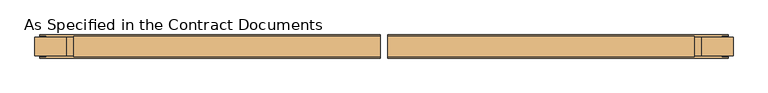
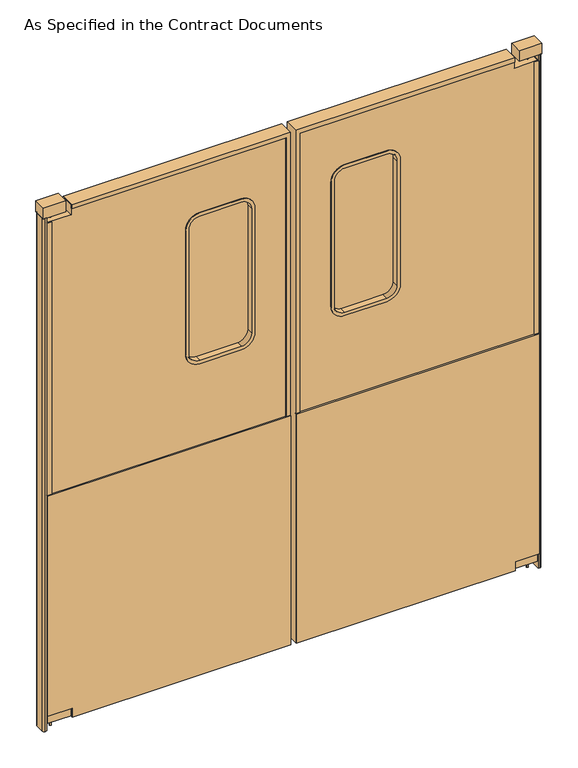
"""IFC4 building model written with IfcOpenShell, lengths in millimetres: door geometry, As Specified in the Contract Documents."""

from ifc_helpers import new_model, si_unit, point, frame, frame_2d, origin, origin_with_axes, place, context, project, spatial, polyline, circle_curve, trimmed, segment, composite_curve, outline, extrude, faceted_brep, source, transform, mapped, element, save
from ifc_brep_helpers import plane_surface, cylinder_surface, revolved_surface, advanced_brep


def as_specified_in_the_contract_documents_241d0e8a(model_context):
    return source(origin(), model_context, "Body", "SolidModel", [
        extrude(outline(composite_curve([segment(trimmed(circle_curve(frame_2d((-853.4912977, -17.4625)), 3.175), [point((-856.6662977, -17.4625))], [point((-850.3162977, -17.4625))], False, "CARTESIAN"), True, "CONTINUOUS"), segment(trimmed(circle_curve(frame_2d((-853.4912977, -17.4625)), 3.175), [point((-850.3162977, -17.4625))], [point((-856.6662977, -17.4625))], False, "CARTESIAN"), True, "CONTINUOUS")], self_intersect=False)), frame((0.0, 0.0, 1971.675), z_axis=(0.0, 0.0, 1.0), x_axis=(1.0, 0.0, 0.0)), (0.0, 0.0, 1.0), 19.05),
        extrude(outline(composite_curve([segment(trimmed(circle_curve(frame_2d((-853.4912977, -17.4625)), 3.175), [point((-850.3162977, -17.4625))], [point((-856.6662977, -17.4625))], False, "CARTESIAN"), True, "CONTINUOUS"), segment(trimmed(circle_curve(frame_2d((-853.4912977, -17.4625)), 3.175), [point((-856.6662977, -17.4625))], [point((-850.3162977, -17.4625))], False, "CARTESIAN"), True, "CONTINUOUS")], self_intersect=False)), origin_with_axes(), (0.0, 0.0, 1.0), 28.575),
        extrude(outline(composite_curve([segment(polyline([(1285.875, -130.175), (1762.125, -130.175)]), True, "CONTINUOUS"), segment(trimmed(circle_curve(frame_2d((1762.125, -171.45)), 41.275), [point((1762.125, -130.175))], [point((1803.4, -171.45))], False, "CARTESIAN"), True, "CONTINUOUS"), segment(polyline([(1803.4, -171.45), (1803.4, -317.5)]), True, "CONTINUOUS"), segment(trimmed(circle_curve(frame_2d((1762.125, -317.5)), 41.275), [point((1803.4, -317.5))], [point((1762.125, -358.775))], False, "CARTESIAN"), True, "CONTINUOUS"), segment(polyline([(1762.125, -358.775), (1285.875, -358.775)]), True, "CONTINUOUS"), segment(trimmed(circle_curve(frame_2d((1285.875, -317.5)), 41.275), [point((1285.875, -358.775))], [point((1244.6, -317.5))], False, "CARTESIAN"), True, "CONTINUOUS"), segment(polyline([(1244.6, -317.5), (1244.6, -171.45)]), True, "CONTINUOUS"), segment(trimmed(circle_curve(frame_2d((1285.875, -171.45)), 41.275), [point((1244.6, -171.45))], [point((1285.875, -130.175))], False, "CARTESIAN"), True, "CONTINUOUS")], self_intersect=False)), frame((0.0, -20.6375, 0.0), z_axis=(0.0, 1.0, 0.0), x_axis=(0.0, 0.0, 1.0)), (0.0, 0.0, 1.0), 6.35),
        faceted_brep([(-790.575, -41.275, 28.575), (-790.575, 6.35, 28.575), (-790.575, 6.35, 41.275), (-790.575, 9.525, 41.275), (-790.575, 9.525, 25.4), (-790.575, -44.45, 25.4), (-790.575, -44.45, 41.275), (-790.575, -41.275, 41.275), (-3.175, -41.275, 41.275), (-3.175, -41.275, 1997.075), (-790.575, -41.275, 1997.075), (-790.575, -41.275, 2009.775), (9.525, -41.275, 2009.775), (9.525, -41.275, 28.575), (-3.175, -44.45, 41.275), (12.7, -44.45, 25.4), (12.7, -44.45, 2012.95), (-790.575, -44.45, 2012.95), (-790.575, -44.45, 1997.075), (-3.175, -44.45, 1997.075), (12.7, 9.525, 25.4), (-3.175, 9.525, 41.275), (-3.175, 9.525, 1997.075), (-790.575, 9.525, 1997.075), (-790.575, 9.525, 2012.95), (12.7, 9.525, 2012.95), (-3.175, 6.35, 41.275), (9.525, 6.35, 28.575), (9.525, 6.35, 2009.775), (-790.575, 6.35, 2009.775), (-790.575, 6.35, 1997.075), (-3.175, 6.35, 1997.075)], [[[0, 1, 2, 3, 4, 5, 6, 7]], [[7, 8, 9, 10, 11, 12, 13, 0]], [[6, 14, 8, 7]], [[5, 15, 16, 17, 18, 19, 14, 6]], [[4, 20, 15, 5]], [[3, 21, 22, 23, 24, 25, 20, 4]], [[2, 26, 21, 3]], [[1, 27, 28, 29, 30, 31, 26, 2]], [[0, 13, 27, 1]], [[8, 14, 19, 9]], [[15, 20, 25, 16]], [[21, 26, 31, 22]], [[12, 28, 27, 13]], [[10, 18, 17, 24, 23, 30, 29, 11]], [[9, 19, 18, 10]], [[16, 25, 24, 17]], [[22, 31, 30, 23]], [[11, 29, 28, 12]]]),
        extrude(outline(polyline([(2009.775, -790.575), (1971.675, -790.575), (1971.675, -876.3), (60.325, -876.3), (60.325, -790.575), (28.575, -790.575), (28.575, 9.525), (2009.775, 9.525), (2009.775, -790.575)]), holes=[composite_curve([segment(trimmed(circle_curve(frame_2d((1285.875, -171.45)), 44.45), [point((1285.875, -127.0))], [point((1241.425, -171.45))], True, "CARTESIAN"), True, "CONTINUOUS"), segment(polyline([(1241.425, -171.45), (1241.425, -317.5)]), True, "CONTINUOUS"), segment(trimmed(circle_curve(frame_2d((1285.875, -317.5)), 44.45), [point((1241.425, -317.5))], [point((1285.875, -361.95))], True, "CARTESIAN"), True, "CONTINUOUS"), segment(polyline([(1285.875, -361.95), (1762.125, -361.95)]), True, "CONTINUOUS"), segment(trimmed(circle_curve(frame_2d((1762.125, -317.5)), 44.45), [point((1762.125, -361.95))], [point((1806.575, -317.5))], True, "CARTESIAN"), True, "CONTINUOUS"), segment(polyline([(1806.575, -317.5), (1806.575, -171.45)]), True, "CONTINUOUS"), segment(trimmed(circle_curve(frame_2d((1762.125, -171.45)), 44.45), [point((1806.575, -171.45))], [point((1762.125, -127.0))], True, "CARTESIAN"), True, "CONTINUOUS"), segment(polyline([(1762.125, -127.0), (1285.875, -127.0)]), True, "CONTINUOUS")], self_intersect=False)]), frame((0.0, -41.275, 0.0), z_axis=(0.0, 1.0, 0.0), x_axis=(0.0, 0.0, 1.0)), (0.0, 0.0, 1.0), 47.625),
        extrude(outline(polyline([(25.4, -790.575), (25.4, 12.7), (914.4, 12.7), (914.4, -879.475), (60.325, -879.475), (60.325, -790.575), (25.4, -790.575)])), frame((0.0, 6.35, 0.0), z_axis=(0.0, 1.0, 0.0), x_axis=(0.0, 0.0, 1.0)), (0.0, 0.0, 1.0), 6.35),
        extrude(outline(polyline([(25.4, -790.575), (25.4, 12.7), (914.4, 12.7), (914.4, -879.475), (60.325, -879.475), (60.325, -790.575), (25.4, -790.575)])), frame((0.0, -47.625, 0.0), z_axis=(0.0, 1.0, 0.0), x_axis=(0.0, 0.0, 1.0)), (0.0, 0.0, 1.0), 6.35),
        advanced_brep(
        [(-361.95, 6.35, 1765.3), (-361.95, -41.275, 1765.3), (-320.675, -41.275, 1806.575), (-320.675, 6.35, 1806.575), (-371.475, 9.525, 1765.3), (-371.475, 6.35, 1765.3), (-320.675, 6.35, 1816.1), (-320.675, 9.525, 1816.1), (-358.775, -44.45, 1765.3), (-358.775, 9.525, 1765.3), (-320.675, 9.525, 1803.4), (-320.675, -44.45, 1803.4), (-371.475, -41.275, 1765.3), (-371.475, -44.45, 1765.3), (-320.675, -44.45, 1816.1), (-320.675, -41.275, 1816.1), (-361.95, 6.35, 1282.7), (-361.95, -41.275, 1282.7), (-371.475, 9.525, 1282.7), (-371.475, 6.35, 1282.7), (-358.775, -44.45, 1282.7), (-358.775, 9.525, 1282.7), (-371.475, -41.275, 1282.7), (-371.475, -44.45, 1282.7), (-320.675, 6.35, 1241.425), (-320.675, -41.275, 1241.425), (-320.675, 9.525, 1231.9), (-320.675, 6.35, 1231.9), (-320.675, -44.45, 1244.6), (-320.675, 9.525, 1244.6), (-320.675, -41.275, 1231.9), (-320.675, -44.45, 1231.9), (-168.275, 6.35, 1241.425), (-168.275, -41.275, 1241.425), (-168.275, 9.525, 1231.9), (-168.275, 6.35, 1231.9), (-168.275, -44.45, 1244.6), (-168.275, 9.525, 1244.6), (-168.275, -41.275, 1231.9), (-168.275, -44.45, 1231.9), (-127.0, 6.35, 1282.7), (-127.0, -41.275, 1282.7), (-117.475, 9.525, 1282.7), (-117.475, 6.35, 1282.7), (-130.175, -44.45, 1282.7), (-130.175, 9.525, 1282.7), (-117.475, -41.275, 1282.7), (-117.475, -44.45, 1282.7), (-127.0, 6.35, 1765.3), (-127.0, -41.275, 1765.3), (-117.475, 9.525, 1765.3), (-117.475, 6.35, 1765.3), (-130.175, -44.45, 1765.3), (-130.175, 9.525, 1765.3), (-117.475, -41.275, 1765.3), (-117.475, -44.45, 1765.3), (-168.275, 6.35, 1806.575), (-168.275, -41.275, 1806.575), (-168.275, 9.525, 1816.1), (-168.275, 6.35, 1816.1), (-168.275, -44.45, 1803.4), (-168.275, 9.525, 1803.4), (-168.275, -41.275, 1816.1), (-168.275, -44.45, 1816.1)],
        [
            (0, 1),
            (1, 2, circle_curve(frame((-320.675, -41.275, 1765.3), z_axis=(0.0, 1.0, 0.0), x_axis=(0.0, 0.0, 1.0)), 41.275)),
            (2, 3),
            (3, 0, circle_curve(frame((-320.675, 6.35, 1765.3), z_axis=(0.0, -1.0, 0.0), x_axis=(0.0, 0.0, 1.0)), 41.275)),
            (4, 5),
            (5, 6, circle_curve(frame((-320.675, 6.35, 1765.3), z_axis=(0.0, 1.0, 0.0), x_axis=(0.0, 0.0, 1.0)), 50.8)),
            (6, 7),
            (7, 4, circle_curve(frame((-320.675, 9.525, 1765.3), z_axis=(0.0, -1.0, 0.0), x_axis=(0.0, 0.0, 1.0)), 50.8)),
            (8, 9),
            (9, 10, circle_curve(frame((-320.675, 9.525, 1765.3), z_axis=(0.0, 1.0, 0.0), x_axis=(0.0, 0.0, 1.0)), 38.1)),
            (10, 11),
            (11, 8, circle_curve(frame((-320.675, -44.45, 1765.3), z_axis=(0.0, -1.0, 0.0), x_axis=(0.0, 0.0, 1.0)), 38.1)),
            (12, 13),
            (13, 14, circle_curve(frame((-320.675, -44.45, 1765.3), z_axis=(0.0, 1.0, 0.0), x_axis=(0.0, 0.0, 1.0)), 50.8)),
            (14, 15),
            (15, 12, circle_curve(frame((-320.675, -41.275, 1765.3), z_axis=(0.0, -1.0, 0.0), x_axis=(0.0, 0.0, 1.0)), 50.8)),
            (0, 16),
            (16, 17),
            (17, 1),
            (4, 18),
            (18, 19),
            (19, 5),
            (8, 20),
            (20, 21),
            (21, 9),
            (12, 22),
            (22, 23),
            (23, 13),
            (24, 25),
            (25, 17, circle_curve(frame((-320.675, -41.275, 1282.7), z_axis=(0.0, 1.0, 0.0), x_axis=(-1.0, 0.0, 0.0)), 41.275)),
            (16, 24, circle_curve(frame((-320.675, 6.35, 1282.7), z_axis=(0.0, -1.0, 0.0), x_axis=(-1.0, 0.0, 0.0)), 41.275)),
            (26, 27),
            (27, 19, circle_curve(frame((-320.675, 6.35, 1282.7), z_axis=(0.0, 1.0, 0.0), x_axis=(-1.0, 0.0, 0.0)), 50.8)),
            (18, 26, circle_curve(frame((-320.675, 9.525, 1282.7), z_axis=(0.0, -1.0, 0.0), x_axis=(-1.0, 0.0, 0.0)), 50.8)),
            (28, 29),
            (29, 21, circle_curve(frame((-320.675, 9.525, 1282.7), z_axis=(0.0, 1.0, 0.0), x_axis=(-1.0, 0.0, 0.0)), 38.1)),
            (20, 28, circle_curve(frame((-320.675, -44.45, 1282.7), z_axis=(0.0, -1.0, 0.0), x_axis=(-1.0, 0.0, 0.0)), 38.1)),
            (30, 31),
            (31, 23, circle_curve(frame((-320.675, -44.45, 1282.7), z_axis=(0.0, 1.0, 0.0), x_axis=(-1.0, 0.0, 0.0)), 50.8)),
            (22, 30, circle_curve(frame((-320.675, -41.275, 1282.7), z_axis=(0.0, -1.0, 0.0), x_axis=(-1.0, 0.0, 0.0)), 50.8)),
            (24, 32),
            (32, 33),
            (33, 25),
            (26, 34),
            (34, 35),
            (35, 27),
            (28, 36),
            (36, 37),
            (37, 29),
            (30, 38),
            (38, 39),
            (39, 31),
            (40, 41),
            (41, 33, circle_curve(frame((-168.275, -41.275, 1282.7), z_axis=(0.0, 1.0, 0.0), x_axis=(0.0, 0.0, -1.0)), 41.275)),
            (32, 40, circle_curve(frame((-168.275, 6.35, 1282.7), z_axis=(0.0, -1.0, 0.0), x_axis=(0.0, 0.0, -1.0)), 41.275)),
            (42, 43),
            (43, 35, circle_curve(frame((-168.275, 6.35, 1282.7), z_axis=(0.0, 1.0, 0.0), x_axis=(0.0, 0.0, -1.0)), 50.8)),
            (34, 42, circle_curve(frame((-168.275, 9.525, 1282.7), z_axis=(0.0, -1.0, 0.0), x_axis=(0.0, 0.0, -1.0)), 50.8)),
            (44, 45),
            (45, 37, circle_curve(frame((-168.275, 9.525, 1282.7), z_axis=(0.0, 1.0, 0.0), x_axis=(0.0, 0.0, -1.0)), 38.1)),
            (36, 44, circle_curve(frame((-168.275, -44.45, 1282.7), z_axis=(0.0, -1.0, 0.0), x_axis=(0.0, 0.0, -1.0)), 38.1)),
            (46, 47),
            (47, 39, circle_curve(frame((-168.275, -44.45, 1282.7), z_axis=(0.0, 1.0, 0.0), x_axis=(0.0, 0.0, -1.0)), 50.8)),
            (38, 46, circle_curve(frame((-168.275, -41.275, 1282.7), z_axis=(0.0, -1.0, 0.0), x_axis=(0.0, 0.0, -1.0)), 50.8)),
            (40, 48),
            (48, 49),
            (49, 41),
            (42, 50),
            (50, 51),
            (51, 43),
            (44, 52),
            (52, 53),
            (53, 45),
            (46, 54),
            (54, 55),
            (55, 47),
            (56, 57),
            (57, 49, circle_curve(frame((-168.275, -41.275, 1765.3), z_axis=(0.0, 1.0, 0.0), x_axis=(1.0, 0.0, 0.0)), 41.275)),
            (48, 56, circle_curve(frame((-168.275, 6.35, 1765.3), z_axis=(0.0, -1.0, 0.0), x_axis=(1.0, 0.0, 0.0)), 41.275)),
            (58, 59),
            (59, 51, circle_curve(frame((-168.275, 6.35, 1765.3), z_axis=(0.0, 1.0, 0.0), x_axis=(1.0, 0.0, 0.0)), 50.8)),
            (50, 58, circle_curve(frame((-168.275, 9.525, 1765.3), z_axis=(0.0, -1.0, 0.0), x_axis=(1.0, 0.0, 0.0)), 50.8)),
            (60, 61),
            (61, 53, circle_curve(frame((-168.275, 9.525, 1765.3), z_axis=(0.0, 1.0, 0.0), x_axis=(1.0, 0.0, 0.0)), 38.1)),
            (52, 60, circle_curve(frame((-168.275, -44.45, 1765.3), z_axis=(0.0, -1.0, 0.0), x_axis=(1.0, 0.0, 0.0)), 38.1)),
            (62, 63),
            (63, 55, circle_curve(frame((-168.275, -44.45, 1765.3), z_axis=(0.0, 1.0, 0.0), x_axis=(1.0, 0.0, 0.0)), 50.8)),
            (54, 62, circle_curve(frame((-168.275, -41.275, 1765.3), z_axis=(0.0, -1.0, 0.0), x_axis=(1.0, 0.0, 0.0)), 50.8)),
            (56, 3),
            (2, 57),
            (59, 6),
            (58, 7),
            (61, 10),
            (60, 11),
            (63, 14),
            (62, 15),
        ],
        [
            cylinder_surface(frame((-320.675, -17.4625, 1765.3), z_axis=(0.0, 1.0, 0.0), x_axis=(0.0, 0.0, 1.0)), 41.275),
            cylinder_surface(frame((-320.675, -17.4625, 1765.3), z_axis=(0.0, 1.0, 0.0), x_axis=(0.0, 0.0, 1.0)), 50.8),
            revolved_surface(polyline([(-320.675, 9.524999999999999, 1803.3999999999999), (-320.675, -44.45, 1803.3999999999999)]), (-320.675, -17.4625, 1765.3), (0.0, 1.0, 0.0)),
            plane_surface(frame((-361.95, -41.275, 1765.3), z_axis=(-1.0, 0.0, 0.0), x_axis=(0.0, 0.0, -1.0))),
            plane_surface(frame((-371.475, 6.35, 1765.3), z_axis=(-1.0, 0.0, 0.0), x_axis=(0.0, 0.0, -1.0))),
            plane_surface(frame((-358.775, 9.525, 1765.3), z_axis=(1.0, 0.0, 0.0), x_axis=(0.0, 0.0, -1.0))),
            plane_surface(frame((-371.475, -44.45, 1765.3), z_axis=(-1.0, 0.0, 0.0), x_axis=(0.0, 0.0, -1.0))),
            cylinder_surface(frame((-320.675, -17.4625, 1282.7), z_axis=(0.0, 1.0, 0.0), x_axis=(-1.0, 0.0, 0.0)), 41.275),
            cylinder_surface(frame((-320.675, -17.4625, 1282.7), z_axis=(0.0, 1.0, 0.0), x_axis=(-1.0, 0.0, 0.0)), 50.8),
            revolved_surface(polyline([(-358.77500000000003, 9.524999999999999, 1282.7), (-358.77500000000003, -44.45, 1282.7)]), (-320.675, -17.4625, 1282.7), (0.0, 1.0, 0.0)),
            plane_surface(frame((-320.675, -41.275, 1241.425), z_axis=(0.0, 0.0, -1.0), x_axis=(1.0, 0.0, 0.0))),
            plane_surface(frame((-320.675, 6.35, 1231.9), z_axis=(0.0, 0.0, -1.0), x_axis=(1.0, 0.0, 0.0))),
            plane_surface(frame((-320.675, 9.525, 1244.6), z_axis=(0.0, 0.0, 1.0), x_axis=(1.0, 0.0, 0.0))),
            plane_surface(frame((-320.675, -44.45, 1231.9), z_axis=(0.0, 0.0, -1.0), x_axis=(1.0, 0.0, 0.0))),
            cylinder_surface(frame((-168.275, -17.4625, 1282.7), z_axis=(0.0, 1.0, 0.0), x_axis=(0.0, 0.0, -1.0)), 41.275),
            cylinder_surface(frame((-168.275, -17.4625, 1282.7), z_axis=(0.0, 1.0, 0.0), x_axis=(0.0, 0.0, -1.0)), 50.8),
            revolved_surface(polyline([(-168.275, 9.524999999999999, 1244.6000000000001), (-168.275, -44.45, 1244.6000000000001)]), (-168.275, -17.4625, 1282.7), (0.0, 1.0, 0.0)),
            plane_surface(frame((-127.0, -41.275, 1282.7), z_axis=(1.0, 0.0, 0.0), x_axis=(0.0, 0.0, 1.0))),
            plane_surface(frame((-117.475, 6.35, 1282.7), z_axis=(1.0, 0.0, 0.0), x_axis=(0.0, 0.0, 1.0))),
            plane_surface(frame((-130.175, 9.525, 1282.7), z_axis=(-1.0, 0.0, 0.0), x_axis=(0.0, 0.0, 1.0))),
            plane_surface(frame((-117.475, -44.45, 1282.7), z_axis=(1.0, 0.0, 0.0), x_axis=(0.0, 0.0, 1.0))),
            cylinder_surface(frame((-168.275, -17.4625, 1765.3), z_axis=(0.0, 1.0, 0.0), x_axis=(1.0, 0.0, 0.0)), 41.275),
            cylinder_surface(frame((-168.275, -17.4625, 1765.3), z_axis=(0.0, 1.0, 0.0), x_axis=(1.0, 0.0, 0.0)), 50.8),
            revolved_surface(polyline([(-130.175, 9.524999999999999, 1765.3), (-130.175, -44.45, 1765.3)]), (-168.275, -17.4625, 1765.3), (0.0, 1.0, 0.0)),
            plane_surface(frame((-168.275, -41.275, 1806.575), z_axis=(0.0, 0.0, 1.0), x_axis=(-1.0, 0.0, 0.0))),
            plane_surface(frame((-168.275, 6.35, 1806.575), z_axis=(0.0, -1.0, 0.0), x_axis=(-1.0, 0.0, 0.0))),
            plane_surface(frame((-168.275, 6.35, 1816.1), z_axis=(0.0, 0.0, 1.0), x_axis=(-1.0, 0.0, 0.0))),
            plane_surface(frame((-168.275, 9.525, 1816.1), z_axis=(0.0, 1.0, 0.0), x_axis=(-1.0, 0.0, 0.0))),
            plane_surface(frame((-168.275, 9.525, 1803.4), z_axis=(0.0, 0.0, -1.0), x_axis=(-1.0, 0.0, 0.0))),
            plane_surface(frame((-168.275, -44.45, 1803.4), z_axis=(0.0, -1.0, 0.0), x_axis=(-1.0, 0.0, 0.0))),
            plane_surface(frame((-168.275, -44.45, 1816.1), z_axis=(0.0, 0.0, 1.0), x_axis=(-1.0, 0.0, 0.0))),
            plane_surface(frame((-168.275, -41.275, 1816.1), z_axis=(0.0, 1.0, 0.0), x_axis=(-1.0, 0.0, 0.0))),
        ],
        [
            (0, [[1, 2, 3, 4]]),
            (1, [[5, 6, 7, 8]]),
            (2, [[9, 10, 11, 12]]),
            (1, [[13, 14, 15, 16]]),
            (3, [[17, 18, 19, -1]]),
            (4, [[20, 21, 22, -5]]),
            (5, [[23, 24, 25, -9]]),
            (6, [[26, 27, 28, -13]]),
            (7, [[29, 30, -18, 31]]),
            (8, [[32, 33, -21, 34]]),
            (9, [[35, 36, -24, 37]]),
            (8, [[38, 39, -27, 40]]),
            (10, [[41, 42, 43, -29]]),
            (11, [[44, 45, 46, -32]]),
            (12, [[47, 48, 49, -35]]),
            (13, [[50, 51, 52, -38]]),
            (14, [[53, 54, -42, 55]]),
            (15, [[56, 57, -45, 58]]),
            (16, [[59, 60, -48, 61]]),
            (15, [[62, 63, -51, 64]]),
            (17, [[65, 66, 67, -53]]),
            (18, [[68, 69, 70, -56]]),
            (19, [[71, 72, 73, -59]]),
            (20, [[74, 75, 76, -62]]),
            (21, [[77, 78, -66, 79]]),
            (22, [[80, 81, -69, 82]]),
            (23, [[83, 84, -72, 85]]),
            (22, [[86, 87, -75, 88]]),
            (24, [[89, -3, 90, -77]]),
            (25, [[-6, -22, -33, -46, -57, -70, -81, 91], [-55, -41, -31, -17, -4, -89, -79, -65]]),
            (26, [[92, -7, -91, -80]]),
            (27, [[-58, -44, -34, -20, -8, -92, -82, -68], [-10, -25, -36, -49, -60, -73, -84, 93]]),
            (28, [[94, -11, -93, -83]]),
            (29, [[-14, -28, -39, -52, -63, -76, -87, 95], [-61, -47, -37, -23, -12, -94, -85, -71]]),
            (30, [[96, -15, -95, -86]]),
            (31, [[-64, -50, -40, -26, -16, -96, -88, -74], [-2, -19, -30, -43, -54, -67, -78, -90]]),
        ],
    ),
        extrude(outline(polyline([(-876.3, -41.275), (-863.6, -41.275), (-863.6, -44.45), (-879.475, -44.45), (-879.475, 9.525), (-863.6, 9.525), (-863.6, 6.35), (-876.3, 6.35), (-876.3, -41.275)])), frame((0.0, 0.0, 60.325), z_axis=(0.0, 0.0, 1.0), x_axis=(1.0, 0.0, 0.0)), (0.0, 0.0, 1.0), 1911.35),
        extrude(outline(composite_curve([segment(polyline([(-879.475, 6.35), (-879.475, -41.275), (-885.825, -41.275)]), True, "CONTINUOUS"), segment(trimmed(circle_curve(frame_2d((-885.825, -34.925)), 6.35), [point((-885.825, -41.275))], [point((-892.175, -34.925))], False, "CARTESIAN"), True, "CONTINUOUS"), segment(polyline([(-892.175, -34.925), (-892.175, 0.0)]), True, "CONTINUOUS"), segment(trimmed(circle_curve(frame_2d((-885.825, 0.0)), 6.35), [point((-892.175, 0.0))], [point((-885.825, 6.35))], False, "CARTESIAN"), True, "CONTINUOUS"), segment(polyline([(-885.825, 6.35), (-879.475, 6.35)]), True, "CONTINUOUS")], self_intersect=False)), origin_with_axes(), (0.0, 0.0, 1.0), 1990.725),
        extrude(outline(polyline([(-892.175, 6.35), (-809.625, 6.35), (-809.625, -41.275), (-892.175, -41.275), (-892.175, 6.35)])), frame((0.0, 0.0, 1990.725), z_axis=(0.0, 0.0, 1.0), x_axis=(1.0, 0.0, 0.0)), (0.0, 0.0, 1.0), 41.275),
        extrude(outline(polyline([(-876.3, 6.35), (-790.575, 6.35), (-790.575, -41.275), (-876.3, -41.275), (-876.3, 6.35)])), frame((0.0, 0.0, 28.575), z_axis=(0.0, 0.0, 1.0), x_axis=(1.0, 0.0, 0.0)), (0.0, 0.0, 1.0), 31.75),
        extrude(outline(composite_curve([segment(trimmed(circle_curve(frame_2d((897.9412977, -17.4625)), 3.175), [point((901.1162977, -17.4625))], [point((894.7662977, -17.4625))], False, "CARTESIAN"), True, "CONTINUOUS"), segment(trimmed(circle_curve(frame_2d((897.9412977, -17.4625)), 3.175), [point((894.7662977, -17.4625))], [point((901.1162977, -17.4625))], False, "CARTESIAN"), True, "CONTINUOUS")], self_intersect=False)), frame((0.0, 0.0, 1971.675), z_axis=(0.0, 0.0, 1.0), x_axis=(1.0, 0.0, 0.0)), (0.0, 0.0, 1.0), 19.05),
        extrude(outline(composite_curve([segment(trimmed(circle_curve(frame_2d((897.9412977, -17.4625)), 3.175), [point((894.7662977, -17.4625))], [point((901.1162977, -17.4625))], False, "CARTESIAN"), True, "CONTINUOUS"), segment(trimmed(circle_curve(frame_2d((897.9412977, -17.4625)), 3.175), [point((901.1162977, -17.4625))], [point((894.7662977, -17.4625))], False, "CARTESIAN"), True, "CONTINUOUS")], self_intersect=False)), origin_with_axes(), (0.0, 0.0, 1.0), 28.575),
        extrude(outline(composite_curve([segment(trimmed(circle_curve(frame_2d((1285.875, 215.9)), 41.275), [point((1285.875, 174.625))], [point((1244.6, 215.9))], False, "CARTESIAN"), True, "CONTINUOUS"), segment(polyline([(1244.6, 215.9), (1244.6, 361.95)]), True, "CONTINUOUS"), segment(trimmed(circle_curve(frame_2d((1285.875, 361.95)), 41.275), [point((1244.6, 361.95))], [point((1285.875, 403.225))], False, "CARTESIAN"), True, "CONTINUOUS"), segment(polyline([(1285.875, 403.225), (1762.125, 403.225)]), True, "CONTINUOUS"), segment(trimmed(circle_curve(frame_2d((1762.125, 361.95)), 41.275), [point((1762.125, 403.225))], [point((1803.4, 361.95))], False, "CARTESIAN"), True, "CONTINUOUS"), segment(polyline([(1803.4, 361.95), (1803.4, 215.9)]), True, "CONTINUOUS"), segment(trimmed(circle_curve(frame_2d((1762.125, 215.9)), 41.275), [point((1803.4, 215.9))], [point((1762.125, 174.625))], False, "CARTESIAN"), True, "CONTINUOUS"), segment(polyline([(1762.125, 174.625), (1285.875, 174.625)]), True, "CONTINUOUS")], self_intersect=False)), frame((0.0, -20.6375, 0.0), z_axis=(0.0, 1.0, 0.0), x_axis=(0.0, 0.0, 1.0)), (0.0, 0.0, 1.0), 6.35),
        faceted_brep([(835.025, -41.275, 28.575), (835.025, -41.275, 41.275), (835.025, -44.45, 41.275), (835.025, -44.45, 25.4), (835.025, 9.525, 25.4), (835.025, 9.525, 41.275), (835.025, 6.35, 41.275), (835.025, 6.35, 28.575), (34.925, -41.275, 28.575), (34.925, -41.275, 2009.775), (835.025, -41.275, 2009.775), (835.025, -41.275, 1997.075), (47.625, -41.275, 1997.075), (47.625, -41.275, 41.275), (47.625, -44.45, 41.275), (47.625, -44.45, 1997.075), (835.025, -44.45, 1997.075), (835.025, -44.45, 2012.95), (31.75, -44.45, 2012.95), (31.75, -44.45, 25.4), (31.75, 9.525, 25.4), (31.75, 9.525, 2012.95), (835.025, 9.525, 2012.95), (835.025, 9.525, 1997.075), (47.625, 9.525, 1997.075), (47.625, 9.525, 41.275), (47.625, 6.35, 41.275), (47.625, 6.35, 1997.075), (835.025, 6.35, 1997.075), (835.025, 6.35, 2009.775), (34.925, 6.35, 2009.775), (34.925, 6.35, 28.575)], [[[0, 1, 2, 3, 4, 5, 6, 7]], [[1, 0, 8, 9, 10, 11, 12, 13]], [[2, 1, 13, 14]], [[3, 2, 14, 15, 16, 17, 18, 19]], [[4, 3, 19, 20]], [[5, 4, 20, 21, 22, 23, 24, 25]], [[6, 5, 25, 26]], [[7, 6, 26, 27, 28, 29, 30, 31]], [[0, 7, 31, 8]], [[13, 12, 15, 14]], [[19, 18, 21, 20]], [[25, 24, 27, 26]], [[9, 8, 31, 30]], [[11, 10, 29, 28, 23, 22, 17, 16]], [[12, 11, 16, 15]], [[18, 17, 22, 21]], [[24, 23, 28, 27]], [[10, 9, 30, 29]]]),
        extrude(outline(polyline([(2009.775, 835.025), (2009.775, 34.925), (28.575, 34.925), (28.575, 835.025), (60.325, 835.025), (60.325, 920.75), (1971.675, 920.75), (1971.675, 835.025), (2009.775, 835.025)]), holes=[composite_curve([segment(polyline([(1285.875, 171.45), (1762.125, 171.45)]), True, "CONTINUOUS"), segment(trimmed(circle_curve(frame_2d((1762.125, 215.9)), 44.45), [point((1762.125, 171.45))], [point((1806.575, 215.9))], True, "CARTESIAN"), True, "CONTINUOUS"), segment(polyline([(1806.575, 215.9), (1806.575, 361.95)]), True, "CONTINUOUS"), segment(trimmed(circle_curve(frame_2d((1762.125, 361.95)), 44.45), [point((1806.575, 361.95))], [point((1762.125, 406.4))], True, "CARTESIAN"), True, "CONTINUOUS"), segment(polyline([(1762.125, 406.4), (1285.875, 406.4)]), True, "CONTINUOUS"), segment(trimmed(circle_curve(frame_2d((1285.875, 361.95)), 44.45), [point((1285.875, 406.4))], [point((1241.425, 361.95))], True, "CARTESIAN"), True, "CONTINUOUS"), segment(polyline([(1241.425, 361.95), (1241.425, 215.9)]), True, "CONTINUOUS"), segment(trimmed(circle_curve(frame_2d((1285.875, 215.9)), 44.45), [point((1241.425, 215.9))], [point((1285.875, 171.45))], True, "CARTESIAN"), True, "CONTINUOUS")], self_intersect=False)]), frame((0.0, -41.275, 0.0), z_axis=(0.0, 1.0, 0.0), x_axis=(0.0, 0.0, 1.0)), (0.0, 0.0, 1.0), 47.625),
        extrude(outline(polyline([(25.4, 835.025), (60.325, 835.025), (60.325, 923.925), (914.4, 923.925), (914.4, 31.75), (25.4, 31.75), (25.4, 835.025)])), frame((0.0, 6.35, 0.0), z_axis=(0.0, 1.0, 0.0), x_axis=(0.0, 0.0, 1.0)), (0.0, 0.0, 1.0), 6.35),
        extrude(outline(polyline([(25.4, 835.025), (60.325, 835.025), (60.325, 923.925), (914.4, 923.925), (914.4, 31.75), (25.4, 31.75), (25.4, 835.025)])), frame((0.0, -47.625, 0.0), z_axis=(0.0, 1.0, 0.0), x_axis=(0.0, 0.0, 1.0)), (0.0, 0.0, 1.0), 6.35),
        advanced_brep(
        [(406.4, 6.35, 1765.3), (365.125, 6.35, 1806.575), (365.125, -41.275, 1806.575), (406.4, -41.275, 1765.3), (415.925, 9.525, 1765.3), (365.125, 9.525, 1816.1), (365.125, 6.35, 1816.1), (415.925, 6.35, 1765.3), (403.225, -44.45, 1765.3), (365.125, -44.45, 1803.4), (365.125, 9.525, 1803.4), (403.225, 9.525, 1765.3), (415.925, -41.275, 1765.3), (365.125, -41.275, 1816.1), (365.125, -44.45, 1816.1), (415.925, -44.45, 1765.3), (406.4, -41.275, 1282.7), (406.4, 6.35, 1282.7), (415.925, 6.35, 1282.7), (415.925, 9.525, 1282.7), (403.225, 9.525, 1282.7), (403.225, -44.45, 1282.7), (415.925, -44.45, 1282.7), (415.925, -41.275, 1282.7), (365.125, 6.35, 1241.425), (365.125, -41.275, 1241.425), (365.125, 9.525, 1231.9), (365.125, 6.35, 1231.9), (365.125, -44.45, 1244.6), (365.125, 9.525, 1244.6), (365.125, -41.275, 1231.9), (365.125, -44.45, 1231.9), (212.725, -41.275, 1241.425), (212.725, 6.35, 1241.425), (212.725, 6.35, 1231.9), (212.725, 9.525, 1231.9), (212.725, 9.525, 1244.6), (212.725, -44.45, 1244.6), (212.725, -44.45, 1231.9), (212.725, -41.275, 1231.9), (171.45, 6.35, 1282.7), (171.45, -41.275, 1282.7), (161.925, 9.525, 1282.7), (161.925, 6.35, 1282.7), (174.625, -44.45, 1282.7), (174.625, 9.525, 1282.7), (161.925, -41.275, 1282.7), (161.925, -44.45, 1282.7), (171.45, -41.275, 1765.3), (171.45, 6.35, 1765.3), (161.925, 6.35, 1765.3), (161.925, 9.525, 1765.3), (174.625, 9.525, 1765.3), (174.625, -44.45, 1765.3), (161.925, -44.45, 1765.3), (161.925, -41.275, 1765.3), (212.725, 6.35, 1806.575), (212.725, -41.275, 1806.575), (212.725, 9.525, 1816.1), (212.725, 6.35, 1816.1), (212.725, -44.45, 1803.4), (212.725, 9.525, 1803.4), (212.725, -41.275, 1816.1), (212.725, -44.45, 1816.1)],
        [
            (0, 1, circle_curve(frame((365.125, 6.35, 1765.3), z_axis=(0.0, -1.0, 0.0), x_axis=(0.0, 0.0, 1.0)), 41.275)),
            (1, 2),
            (2, 3, circle_curve(frame((365.125, -41.275, 1765.3), z_axis=(0.0, 1.0, 0.0), x_axis=(0.0, 0.0, 1.0)), 41.275)),
            (3, 0),
            (4, 5, circle_curve(frame((365.125, 9.525, 1765.3), z_axis=(0.0, -1.0, 0.0), x_axis=(0.0, 0.0, 1.0)), 50.8)),
            (5, 6),
            (6, 7, circle_curve(frame((365.125, 6.35, 1765.3), z_axis=(0.0, 1.0, 0.0), x_axis=(0.0, 0.0, 1.0)), 50.8)),
            (7, 4),
            (8, 9, circle_curve(frame((365.125, -44.45, 1765.3), z_axis=(0.0, -1.0, 0.0), x_axis=(0.0, 0.0, 1.0)), 38.1)),
            (9, 10),
            (10, 11, circle_curve(frame((365.125, 9.525, 1765.3), z_axis=(0.0, 1.0, 0.0), x_axis=(0.0, 0.0, 1.0)), 38.1)),
            (11, 8),
            (12, 13, circle_curve(frame((365.125, -41.275, 1765.3), z_axis=(0.0, -1.0, 0.0), x_axis=(0.0, 0.0, 1.0)), 50.8)),
            (13, 14),
            (14, 15, circle_curve(frame((365.125, -44.45, 1765.3), z_axis=(0.0, 1.0, 0.0), x_axis=(0.0, 0.0, 1.0)), 50.8)),
            (15, 12),
            (3, 16),
            (16, 17),
            (17, 0),
            (7, 18),
            (18, 19),
            (19, 4),
            (11, 20),
            (20, 21),
            (21, 8),
            (15, 22),
            (22, 23),
            (23, 12),
            (24, 17, circle_curve(frame((365.125, 6.35, 1282.7), z_axis=(0.0, -1.0, 0.0), x_axis=(1.0, 0.0, 0.0)), 41.275)),
            (16, 25, circle_curve(frame((365.125, -41.275, 1282.7), z_axis=(0.0, 1.0, 0.0), x_axis=(1.0, 0.0, 0.0)), 41.275)),
            (25, 24),
            (26, 19, circle_curve(frame((365.125, 9.525, 1282.7), z_axis=(0.0, -1.0, 0.0), x_axis=(1.0, 0.0, 0.0)), 50.8)),
            (18, 27, circle_curve(frame((365.125, 6.35, 1282.7), z_axis=(0.0, 1.0, 0.0), x_axis=(1.0, 0.0, 0.0)), 50.8)),
            (27, 26),
            (28, 21, circle_curve(frame((365.125, -44.45, 1282.7), z_axis=(0.0, -1.0, 0.0), x_axis=(1.0, 0.0, 0.0)), 38.1)),
            (20, 29, circle_curve(frame((365.125, 9.525, 1282.7), z_axis=(0.0, 1.0, 0.0), x_axis=(1.0, 0.0, 0.0)), 38.1)),
            (29, 28),
            (30, 23, circle_curve(frame((365.125, -41.275, 1282.7), z_axis=(0.0, -1.0, 0.0), x_axis=(1.0, 0.0, 0.0)), 50.8)),
            (22, 31, circle_curve(frame((365.125, -44.45, 1282.7), z_axis=(0.0, 1.0, 0.0), x_axis=(1.0, 0.0, 0.0)), 50.8)),
            (31, 30),
            (25, 32),
            (32, 33),
            (33, 24),
            (27, 34),
            (34, 35),
            (35, 26),
            (29, 36),
            (36, 37),
            (37, 28),
            (31, 38),
            (38, 39),
            (39, 30),
            (40, 33, circle_curve(frame((212.725, 6.35, 1282.7), z_axis=(0.0, -1.0, 0.0), x_axis=(0.0, 0.0, -1.0)), 41.275)),
            (32, 41, circle_curve(frame((212.725, -41.275, 1282.7), z_axis=(0.0, 1.0, 0.0), x_axis=(0.0, 0.0, -1.0)), 41.275)),
            (41, 40),
            (42, 35, circle_curve(frame((212.725, 9.525, 1282.7), z_axis=(0.0, -1.0, 0.0), x_axis=(0.0, 0.0, -1.0)), 50.8)),
            (34, 43, circle_curve(frame((212.725, 6.35, 1282.7), z_axis=(0.0, 1.0, 0.0), x_axis=(0.0, 0.0, -1.0)), 50.8)),
            (43, 42),
            (44, 37, circle_curve(frame((212.725, -44.45, 1282.7), z_axis=(0.0, -1.0, 0.0), x_axis=(0.0, 0.0, -1.0)), 38.1)),
            (36, 45, circle_curve(frame((212.725, 9.525, 1282.7), z_axis=(0.0, 1.0, 0.0), x_axis=(0.0, 0.0, -1.0)), 38.1)),
            (45, 44),
            (46, 39, circle_curve(frame((212.725, -41.275, 1282.7), z_axis=(0.0, -1.0, 0.0), x_axis=(0.0, 0.0, -1.0)), 50.8)),
            (38, 47, circle_curve(frame((212.725, -44.45, 1282.7), z_axis=(0.0, 1.0, 0.0), x_axis=(0.0, 0.0, -1.0)), 50.8)),
            (47, 46),
            (41, 48),
            (48, 49),
            (49, 40),
            (43, 50),
            (50, 51),
            (51, 42),
            (45, 52),
            (52, 53),
            (53, 44),
            (47, 54),
            (54, 55),
            (55, 46),
            (56, 49, circle_curve(frame((212.725, 6.35, 1765.3), z_axis=(0.0, -1.0, 0.0), x_axis=(-1.0, 0.0, 0.0)), 41.275)),
            (48, 57, circle_curve(frame((212.725, -41.275, 1765.3), z_axis=(0.0, 1.0, 0.0), x_axis=(-1.0, 0.0, 0.0)), 41.275)),
            (57, 56),
            (58, 51, circle_curve(frame((212.725, 9.525, 1765.3), z_axis=(0.0, -1.0, 0.0), x_axis=(-1.0, 0.0, 0.0)), 50.8)),
            (50, 59, circle_curve(frame((212.725, 6.35, 1765.3), z_axis=(0.0, 1.0, 0.0), x_axis=(-1.0, 0.0, 0.0)), 50.8)),
            (59, 58),
            (60, 53, circle_curve(frame((212.725, -44.45, 1765.3), z_axis=(0.0, -1.0, 0.0), x_axis=(-1.0, 0.0, 0.0)), 38.1)),
            (52, 61, circle_curve(frame((212.725, 9.525, 1765.3), z_axis=(0.0, 1.0, 0.0), x_axis=(-1.0, 0.0, 0.0)), 38.1)),
            (61, 60),
            (62, 55, circle_curve(frame((212.725, -41.275, 1765.3), z_axis=(0.0, -1.0, 0.0), x_axis=(-1.0, 0.0, 0.0)), 50.8)),
            (54, 63, circle_curve(frame((212.725, -44.45, 1765.3), z_axis=(0.0, 1.0, 0.0), x_axis=(-1.0, 0.0, 0.0)), 50.8)),
            (63, 62),
            (57, 2),
            (1, 56),
            (6, 59),
            (5, 58),
            (10, 61),
            (9, 60),
            (14, 63),
            (13, 62),
        ],
        [
            cylinder_surface(frame((365.125, -17.4625, 1765.3), z_axis=(0.0, 1.0, 0.0), x_axis=(0.0, 0.0, 1.0)), 41.275),
            cylinder_surface(frame((365.125, -17.4625, 1765.3), z_axis=(0.0, 1.0, 0.0), x_axis=(0.0, 0.0, 1.0)), 50.8),
            revolved_surface(polyline([(365.125, 9.524999999999999, 1803.3999999999999), (365.125, -44.45, 1803.3999999999999)]), (365.125, -17.4625, 1765.3), (0.0, 1.0, 0.0)),
            plane_surface(frame((406.4, -41.275, 1765.3), z_axis=(1.0, 0.0, 0.0), x_axis=(0.0, 0.0, -1.0))),
            plane_surface(frame((415.925, 6.35, 1765.3), z_axis=(1.0, 0.0, 0.0), x_axis=(0.0, 0.0, -1.0))),
            plane_surface(frame((403.225, 9.525, 1765.3), z_axis=(-1.0, 0.0, 0.0), x_axis=(0.0, 0.0, -1.0))),
            plane_surface(frame((415.925, -44.45, 1765.3), z_axis=(1.0, 0.0, 0.0), x_axis=(0.0, 0.0, -1.0))),
            cylinder_surface(frame((365.125, -17.4625, 1282.7), z_axis=(0.0, 1.0, 0.0), x_axis=(1.0, 0.0, 0.0)), 41.275),
            cylinder_surface(frame((365.125, -17.4625, 1282.7), z_axis=(0.0, 1.0, 0.0), x_axis=(1.0, 0.0, 0.0)), 50.8),
            revolved_surface(polyline([(403.225, 9.524999999999999, 1282.7), (403.225, -44.45, 1282.7)]), (365.125, -17.4625, 1282.7), (0.0, 1.0, 0.0)),
            plane_surface(frame((365.125, -41.275, 1241.425), z_axis=(0.0, 0.0, -1.0), x_axis=(-1.0, 0.0, 0.0))),
            plane_surface(frame((365.125, 6.35, 1231.9), z_axis=(0.0, 0.0, -1.0), x_axis=(-1.0, 0.0, 0.0))),
            plane_surface(frame((365.125, 9.525, 1244.6), z_axis=(0.0, 0.0, 1.0), x_axis=(-1.0, 0.0, 0.0))),
            plane_surface(frame((365.125, -44.45, 1231.9), z_axis=(0.0, 0.0, -1.0), x_axis=(-1.0, 0.0, 0.0))),
            cylinder_surface(frame((212.725, -17.4625, 1282.7), z_axis=(0.0, 1.0, 0.0), x_axis=(0.0, 0.0, -1.0)), 41.275),
            cylinder_surface(frame((212.725, -17.4625, 1282.7), z_axis=(0.0, 1.0, 0.0), x_axis=(0.0, 0.0, -1.0)), 50.8),
            revolved_surface(polyline([(212.725, 9.524999999999999, 1244.6000000000001), (212.725, -44.45, 1244.6000000000001)]), (212.725, -17.4625, 1282.7), (0.0, 1.0, 0.0)),
            plane_surface(frame((171.45, -41.275, 1282.7), z_axis=(-1.0, 0.0, 0.0), x_axis=(0.0, 0.0, 1.0))),
            plane_surface(frame((161.925, 6.35, 1282.7), z_axis=(-1.0, 0.0, 0.0), x_axis=(0.0, 0.0, 1.0))),
            plane_surface(frame((174.625, 9.525, 1282.7), z_axis=(1.0, 0.0, 0.0), x_axis=(0.0, 0.0, 1.0))),
            plane_surface(frame((161.925, -44.45, 1282.7), z_axis=(-1.0, 0.0, 0.0), x_axis=(0.0, 0.0, 1.0))),
            cylinder_surface(frame((212.725, -17.4625, 1765.3), z_axis=(0.0, 1.0, 0.0), x_axis=(-1.0, 0.0, 0.0)), 41.275),
            cylinder_surface(frame((212.725, -17.4625, 1765.3), z_axis=(0.0, 1.0, 0.0), x_axis=(-1.0, 0.0, 0.0)), 50.8),
            revolved_surface(polyline([(174.625, 9.524999999999999, 1765.3), (174.625, -44.45, 1765.3)]), (212.725, -17.4625, 1765.3), (0.0, 1.0, 0.0)),
            plane_surface(frame((212.725, -41.275, 1806.575), z_axis=(0.0, 0.0, 1.0), x_axis=(1.0, 0.0, 0.0))),
            plane_surface(frame((212.725, 6.35, 1806.575), z_axis=(0.0, -1.0, 0.0), x_axis=(1.0, 0.0, 0.0))),
            plane_surface(frame((212.725, 6.35, 1816.1), z_axis=(0.0, 0.0, 1.0), x_axis=(1.0, 0.0, 0.0))),
            plane_surface(frame((212.725, 9.525, 1816.1), z_axis=(0.0, 1.0, 0.0), x_axis=(1.0, 0.0, 0.0))),
            plane_surface(frame((212.725, 9.525, 1803.4), z_axis=(0.0, 0.0, -1.0), x_axis=(1.0, 0.0, 0.0))),
            plane_surface(frame((212.725, -44.45, 1803.4), z_axis=(0.0, -1.0, 0.0), x_axis=(1.0, 0.0, 0.0))),
            plane_surface(frame((212.725, -44.45, 1816.1), z_axis=(0.0, 0.0, 1.0), x_axis=(1.0, 0.0, 0.0))),
            plane_surface(frame((212.725, -41.275, 1816.1), z_axis=(0.0, 1.0, 0.0), x_axis=(1.0, 0.0, 0.0))),
        ],
        [
            (0, [[1, 2, 3, 4]]),
            (1, [[5, 6, 7, 8]]),
            (2, [[9, 10, 11, 12]]),
            (1, [[13, 14, 15, 16]]),
            (3, [[-4, 17, 18, 19]]),
            (4, [[-8, 20, 21, 22]]),
            (5, [[-12, 23, 24, 25]]),
            (6, [[-16, 26, 27, 28]]),
            (7, [[29, -18, 30, 31]]),
            (8, [[32, -21, 33, 34]]),
            (9, [[35, -24, 36, 37]]),
            (8, [[38, -27, 39, 40]]),
            (10, [[-31, 41, 42, 43]]),
            (11, [[-34, 44, 45, 46]]),
            (12, [[-37, 47, 48, 49]]),
            (13, [[-40, 50, 51, 52]]),
            (14, [[53, -42, 54, 55]]),
            (15, [[56, -45, 57, 58]]),
            (16, [[59, -48, 60, 61]]),
            (15, [[62, -51, 63, 64]]),
            (17, [[-55, 65, 66, 67]]),
            (18, [[-58, 68, 69, 70]]),
            (19, [[-61, 71, 72, 73]]),
            (20, [[-64, 74, 75, 76]]),
            (21, [[77, -66, 78, 79]]),
            (22, [[80, -69, 81, 82]]),
            (23, [[83, -72, 84, 85]]),
            (22, [[86, -75, 87, 88]]),
            (24, [[-79, 89, -2, 90]]),
            (25, [[91, -81, -68, -57, -44, -33, -20, -7], [-67, -77, -90, -1, -19, -29, -43, -53]]),
            (26, [[-82, -91, -6, 92]]),
            (27, [[-70, -80, -92, -5, -22, -32, -46, -56], [93, -84, -71, -60, -47, -36, -23, -11]]),
            (28, [[-85, -93, -10, 94]]),
            (29, [[95, -87, -74, -63, -50, -39, -26, -15], [-73, -83, -94, -9, -25, -35, -49, -59]]),
            (30, [[-88, -95, -14, 96]]),
            (31, [[-76, -86, -96, -13, -28, -38, -52, -62], [-89, -78, -65, -54, -41, -30, -17, -3]]),
        ],
    ),
        extrude(outline(polyline([(920.75, -41.275), (920.75, 6.35), (908.05, 6.35), (908.05, 9.525), (923.925, 9.525), (923.925, -44.45), (908.05, -44.45), (908.05, -41.275), (920.75, -41.275)])), frame((0.0, 0.0, 60.325), z_axis=(0.0, 0.0, 1.0), x_axis=(1.0, 0.0, 0.0)), (0.0, 0.0, 1.0), 1911.35),
        extrude(outline(composite_curve([segment(polyline([(923.925, 6.35), (930.275, 6.35)]), True, "CONTINUOUS"), segment(trimmed(circle_curve(frame_2d((930.275, 0.0)), 6.35), [point((930.275, 6.35))], [point((936.625, 0.0))], False, "CARTESIAN"), True, "CONTINUOUS"), segment(polyline([(936.625, 0.0), (936.625, -34.925)]), True, "CONTINUOUS"), segment(trimmed(circle_curve(frame_2d((930.275, -34.925)), 6.35), [point((936.625, -34.925))], [point((930.275, -41.275))], False, "CARTESIAN"), True, "CONTINUOUS"), segment(polyline([(930.275, -41.275), (923.925, -41.275), (923.925, 6.35)]), True, "CONTINUOUS")], self_intersect=False)), origin_with_axes(), (0.0, 0.0, 1.0), 1990.725),
        extrude(outline(polyline([(936.625, 6.35), (936.625, -41.275), (854.075, -41.275), (854.075, 6.35), (936.625, 6.35)])), frame((0.0, 0.0, 1990.725), z_axis=(0.0, 0.0, 1.0), x_axis=(1.0, 0.0, 0.0)), (0.0, 0.0, 1.0), 41.275),
        extrude(outline(polyline([(920.75, 6.35), (920.75, -41.275), (835.025, -41.275), (835.025, 6.35), (920.75, 6.35)])), frame((0.0, 0.0, 28.575), z_axis=(0.0, 0.0, 1.0), x_axis=(1.0, 0.0, 0.0)), (0.0, 0.0, 1.0), 31.75),
    ])


if __name__ == "__main__":
    model = new_model("IFC4")
    model_context = context("Model", 3, world=origin())
    ifc_project = project(units=[si_unit("LENGTHUNIT", "METRE", prefix="MILLI")], contexts=[model_context])
    site = spatial("IfcSite", under=ifc_project)
    building = spatial("IfcBuilding", under=site)
    placement = place(None, origin())
    as_specified_in_the_contract_documents_shape = as_specified_in_the_contract_documents_241d0e8a(model_context)
    element("IfcDoor", 1, ObjectType="As Specified in the Contract Documents", at=placement, inside=building, context=model_context, shape_type="MappedRepresentation", body=[
        mapped(as_specified_in_the_contract_documents_shape, transform((0.0, 0.0, 0.0), x_axis=(1.0, 0.0, 0.0), y_axis=(0.0, 1.0, 0.0), z_axis=(0.0, 0.0, 1.0))),
    ])
    save(model, "model.ifc")
